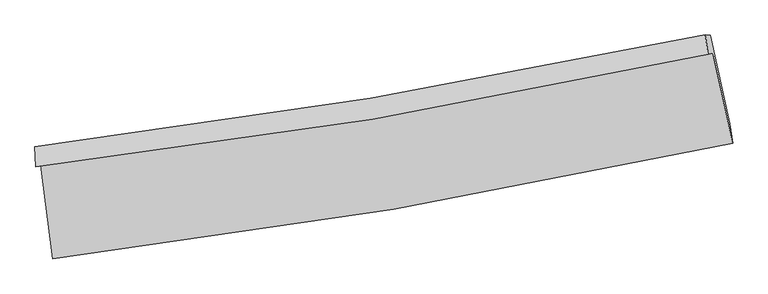
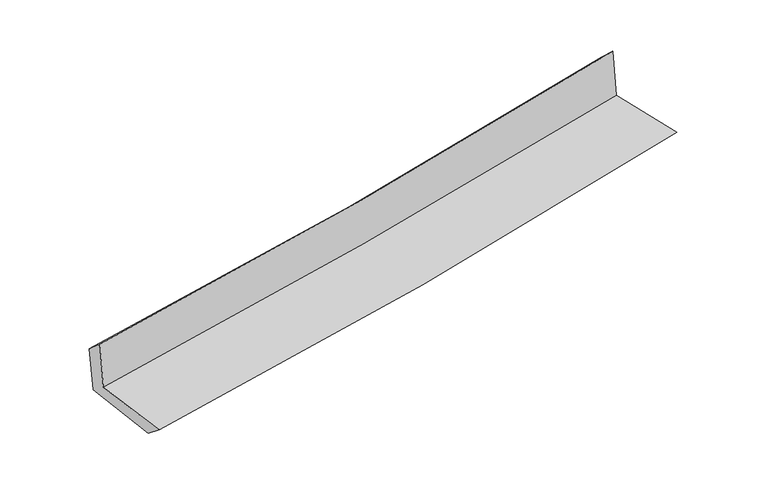
"""IFC4 building model written with IfcOpenShell, lengths in millimetres: proxy geometry."""

from ifc_helpers import new_model, si_unit, frame, origin, place, context, project, spatial, source, transform, mapped, element, save
from ifc_brep_helpers import plane_surface, spline_curve, spline_surface, advanced_brep


def generic_models_1c358d95(model_context):
    return source(origin(), model_context, "Body", "AdvancedBrep", [
        advanced_brep(
        [(-2438.1551822, -1880.7134898, 1663.239094), (-2350.6166176, -2549.9960008, 1654.7565563), (2523.0830101, -1722.2955168, 2117.1170235), (2381.9857717, -1077.4088302, 2108.4118372), (-2472.1922258, -1890.2835319, 2067.0696409), (2347.0467167, -1087.2324867, 2522.9442452), (-2479.6984989, -1748.9484276, 1943.1769825), (2328.2001839, -947.0577178, 2388.9519176), (-2446.4882029, -1750.3119253, 1565.0415014), (2362.5261246, -948.2736542, 2008.4069612), (-2359.3591342, -2404.6391331, 1539.0447703), (2503.9849779, -1582.8514708, 1987.7309964)],
        [
            (0, 1),
            (1, 2, spline_curve(3, [(-2350.6166176, -2549.9960008, 1654.7565563), (-1533.358044434, -2451.680222801, 1733.926831277), (-719.59165212, -2333.768387968, 1811.948752814), (905.009915131, -2058.064763057, 1966.080426054), (1715.810065237, -1900.076436815, 2042.178660044), (2523.0830101, -1722.2955168, 2117.1170235)], [4, 2, 4], [0.0, 8.079311401152422, 16.199037039575877])),
            (2, 3),
            (3, 0, spline_curve(3, [(2381.9857717, -1077.4088302, 2108.4118372), (1581.569811178, -1245.898924126, 2040.324307934), (778.675120219, -1397.210285183, 1969.082411018), (-828.063144145, -1664.807923298, 1820.660174238), (-1631.882104763, -1781.26478228, 1743.511156791), (-2438.1551822, -1880.7134898, 1663.239094)], [4, 2, 4], [0.0, 8.119725638423455, 16.199037039575877])),
            (4, 0),
            (3, 5),
            (5, 4, spline_curve(3, [(2347.0467167, -1087.2324867, 2522.9442452), (1547.786938024, -1263.167305705, 2456.578146588), (745.544438987, -1418.170502243, 2385.298540565), (-860.898159557, -1685.646336919, 2233.291548933), (-1665.068641442, -1798.32682217, 2152.612953545), (-2472.1922258, -1890.2835319, 2067.0696409)], [4, 2, 4], [0.0, 8.072160520310694, 16.104143548784233])),
            (6, 4),
            (5, 7),
            (7, 6, spline_curve(3, [(2328.2001839, -947.0577178, 2388.9519176), (1530.401085481, -1115.22330547, 2312.825832343), (729.836847272, -1266.254400068, 2237.524251796), (-872.823504396, -1533.381160983, 2088.940793883), (-1674.892160431, -1649.646969776, 2015.650729602), (-2479.6984989, -1748.9484276, 1943.1769825)], [4, 2, 4], [0.0, 8.062045926078078, 16.08396470359775])),
            (8, 6),
            (7, 9),
            (9, 8, spline_curve(3, [(2362.5261246, -948.2736542, 2008.4069612), (1564.475681844, -1116.466174024, 1933.51701719), (763.692649978, -1267.523059504, 1859.033757696), (-839.33925972, -1534.698996261, 1711.24930957), (-1641.561003912, -1650.988201106, 1637.944082105), (-2446.4882029, -1750.3119253, 1565.0415014)], [4, 2, 4], [0.0, 8.052167938466411, 16.06425789399317])),
            (10, 8),
            (9, 11),
            (11, 10, spline_curve(3, [(2503.9849779, -1582.8514708, 1987.7309964), (1698.234228996, -1757.935731241, 1911.892271502), (889.060548952, -1914.083894954, 1836.490192887), (-732.088144357, -2187.825084063, 1686.932453283), (-1544.029168089, -2305.606141129, 1612.772456503), (-2359.3591342, -2404.6391331, 1539.0447703)], [4, 2, 4], [0.0, 8.100073746480213, 16.15983106887412])),
            (1, 10),
            (11, 2),
        ],
        [
            spline_surface(3, 3, [[(-2438.1551822, -1880.7134898, 1663.239094), (-1631.882104733, -1781.264782389, 1743.511156712), (-828.063144265, -1664.807923413, 1820.66017431), (778.675120339, -1397.210285067, 1969.082410946), (1581.569811199, -1245.898924198, 2040.324307805), (2381.9857717, -1077.4088302, 2108.4118372)], [(-2408.975660661, -2103.807660142, 1660.411581422), (-1599.040751275, -2004.736595894, 1740.316381532), (-791.905980174, -1887.794744911, 1817.756367176), (820.786718573, -1617.495111127, 1968.08174927), (1626.316562556, -1463.958095113, 2040.942425198), (2429.018184511, -1292.371059091, 2111.313565967)], [(-2379.796139139, -2326.901830458, 1657.584068878), (-1566.199397835, -2228.208409372, 1737.121606387), (-755.748816101, -2110.781566346, 1814.852560063), (862.898316788, -1837.779937123, 1967.081087615), (1671.063313882, -1682.017265957, 2041.560542589), (2476.050597289, -1507.333287909, 2114.215294733)], [(-2350.6166176, -2549.9960008, 1654.7565563), (-1533.358044378, -2451.680222877, 1733.926831207), (-719.59165201, -2333.768387843, 1811.948752929), (905.009915021, -2058.064763182, 1966.080425939), (1715.810065239, -1900.076436873, 2042.178659982), (2523.0830101, -1722.2955168, 2117.1170235)]], [4, 4], [4, 2, 4], [0.0, 2.2152426351771473], [0.0, 8.079311401152422, 16.199037039575877]),
            spline_surface(3, 3, [[(-2472.1922258, -1890.2835319, 2067.0696409), (-1665.068641436, -1798.326822162, 2152.612953549), (-860.898159632, -1685.646336943, 2233.291548936), (745.544439063, -1418.17050222, 2385.298540561), (1547.786938054, -1263.167305693, 2456.5781466), (2347.0467167, -1087.2324867, 2522.9442452)], [(-2460.846544592, -1887.093517873, 1932.459458614), (-1654.006462527, -1792.639475578, 2016.245687951), (-849.953154517, -1678.700199101, 2095.747757385), (756.587999481, -1411.18376317, 2246.559830681), (1559.047895744, -1257.411178518, 2317.826866983), (2358.693068341, -1083.957934523, 2384.766775848)], [(-2449.500863408, -1883.903503827, 1797.849276286), (-1642.944283642, -1786.952128974, 1879.87842231), (-839.00814938, -1671.754061255, 1958.20396586), (767.631559921, -1404.197024117, 2107.821120826), (1570.308853509, -1251.655051373, 2179.075587422), (2370.339420059, -1080.683382377, 2246.589306552)], [(-2438.1551822, -1880.7134898, 1663.239094), (-1631.882104733, -1781.264782389, 1743.511156712), (-828.063144265, -1664.807923413, 1820.66017431), (778.675120339, -1397.210285067, 1969.082410946), (1581.569811199, -1245.898924198, 2040.324307805), (2381.9857717, -1077.4088302, 2108.4118372)]], [4, 4], [4, 2, 4], [0.0, 1.3657090278490038], [0.0, 8.031983028473539, 16.104143548784233]),
            spline_surface(3, 3, [[(-2479.6984989, -1748.9484276, 1943.1769825), (-1674.892160465, -1649.646969701, 2015.650729497), (-872.823504341, -1533.381161035, 2088.940793918), (729.836847217, -1266.254400015, 2237.524251761), (1530.401085392, -1115.22330539, 2312.825832408), (2328.2001839, -947.0577178, 2388.9519176)], [(-2477.196407884, -1796.06012903, 1984.474535298), (-1671.617654139, -1699.206920518, 2061.304804179), (-868.848389446, -1584.136219645, 2137.057712257), (735.072711158, -1316.893100724, 2286.782348027), (1536.196369631, -1164.537972149, 2360.743270493), (2334.482361518, -993.782640758, 2433.61602682)], [(-2474.694316816, -1843.17183047, 2025.772088102), (-1668.343147762, -1748.766871345, 2106.958878867), (-864.873274528, -1634.891278333, 2185.174630597), (740.308575122, -1367.531801511, 2336.040444295), (1541.991653815, -1213.852638935, 2408.660708516), (2340.764539082, -1040.507563742, 2478.28013598)], [(-2472.1922258, -1890.2835319, 2067.0696409), (-1665.068641436, -1798.326822162, 2152.612953549), (-860.898159632, -1685.646336943, 2233.291548936), (745.544439063, -1418.17050222, 2385.298540561), (1547.786938054, -1263.167305693, 2456.5781466), (2347.0467167, -1087.2324867, 2522.9442452)]], [4, 4], [4, 2, 4], [0.0, 0.6933304796272691], [0.0, 8.021918777519673, 16.08396470359775]),
            spline_surface(3, 3, [[(-2446.4882029, -1750.3119253, 1565.0415014), (-1641.561004044, -1650.988201228, 1637.944082169), (-839.339259824, -1534.698996285, 1711.249309482), (763.692650083, -1267.523059479, 1859.033757785), (1564.475681717, -1116.466174074, 1933.517017061), (2362.5261246, -948.2736542, 2008.4069612)], [(-2457.558301564, -1749.857426066, 1691.086661766), (-1652.671389515, -1650.541124051, 1763.846297944), (-850.500674645, -1534.259717895, 1837.146470972), (752.407382479, -1267.100173018, 1985.197255789), (1553.117482939, -1116.051884532, 2059.953288819), (2351.084144364, -947.868342087, 2135.255279976)], [(-2468.628400236, -1749.402926834, 1817.131822134), (-1663.781774994, -1650.094046877, 1889.748513721), (-861.66208952, -1533.820439425, 1963.043632428), (741.122114821, -1266.677286477, 2111.360753757), (1541.75928417, -1115.637594931, 2186.38956065), (2339.642164136, -947.463029913, 2262.103598824)], [(-2479.6984989, -1748.9484276, 1943.1769825), (-1674.892160465, -1649.646969701, 2015.650729497), (-872.823504341, -1533.381161035, 2088.940793918), (729.836847217, -1266.254400015, 2237.524251761), (1530.401085392, -1115.22330539, 2312.825832408), (2328.2001839, -947.0577178, 2388.9519176)]], [4, 4], [4, 2, 4], [0.0, 1.2453789700999929], [0.0, 8.012089955526758, 16.06425789399317]),
            spline_surface(3, 3, [[(-2359.3591342, -2404.6391331, 1539.0447703), (-1544.02916817, -2305.60614108, 1612.772456558), (-732.088144248, -2187.82508398, 1686.932453311), (889.060548842, -1914.083895036, 1836.490192859), (1698.234228944, -1757.935731359, 1911.89227148), (2503.9849779, -1582.8514708, 1987.7309964)], [(-2388.402157101, -2186.530063828, 1547.710347347), (-1576.539780129, -2087.400161124, 1621.162998442), (-767.838516107, -1970.116388081, 1695.038072018), (847.271249255, -1698.563616517, 1844.004714485), (1653.648046519, -1544.112545577, 1919.100520029), (2456.832026784, -1371.325531913, 1994.622984689)], [(-2417.445179999, -1968.420994572, 1556.375924353), (-1609.050392085, -1869.194181184, 1629.553540285), (-803.588887965, -1752.407692184, 1703.143690774), (805.481949669, -1483.043337999, 1851.51923616), (1609.061864142, -1330.289359855, 1926.308768511), (2409.679075716, -1159.799593087, 2001.514972911)], [(-2446.4882029, -1750.3119253, 1565.0415014), (-1641.561004044, -1650.988201228, 1637.944082169), (-839.339259824, -1534.698996285, 1711.249309482), (763.692650083, -1267.523059479, 1859.033757785), (1564.475681717, -1116.466174074, 1933.517017061), (2362.5261246, -948.2736542, 2008.4069612)]], [4, 4], [4, 2, 4], [0.0, 2.1672483748692257], [0.0, 8.059757322393907, 16.15983106887412]),
            spline_surface(3, 3, [[(-2350.6166176, -2549.9960008, 1654.7565563), (-1533.358044378, -2451.680222877, 1733.926831207), (-719.59165201, -2333.768387843, 1811.948752929), (905.009915021, -2058.064763182, 1966.080425939), (1715.810065239, -1900.076436873, 2042.178659982), (2523.0830101, -1722.2955168, 2117.1170235)], [(-2353.530789798, -2501.543711562, 1616.185960953), (-1536.91508564, -2402.988862273, 1693.542039643), (-723.757149432, -2285.120619867, 1770.276653078), (899.693459619, -2010.071140445, 1922.8836816), (1709.951453156, -1852.696201697, 1998.749863814), (2516.716999382, -1675.814168129, 2073.988347799)], [(-2356.444962002, -2453.091422338, 1577.615365647), (-1540.472126908, -2354.297501684, 1653.157248122), (-727.922646827, -2236.472851957, 1728.604553162), (894.377004244, -1962.077517774, 1879.686937198), (1704.092841027, -1805.315966534, 1955.321067648), (2510.350988618, -1629.332819471, 2030.859672101)], [(-2359.3591342, -2404.6391331, 1539.0447703), (-1544.02916817, -2305.60614108, 1612.772456558), (-732.088144248, -2187.82508398, 1686.932453311), (889.060548842, -1914.083895036, 1836.490192859), (1698.234228944, -1757.935731359, 1911.89227148), (2503.9849779, -1582.8514708, 1987.7309964)]], [4, 4], [4, 2, 4], [0.0, 0.6346889603191762], [0.0, 8.116998310012741, 16.27459937431252]),
            plane_surface(frame((2407.8044642, -1227.5199461, 2188.9271635), z_axis=(0.972934382480684, 0.21404748580691346, 0.08707675468613538), x_axis=(-0.0898368732648271, 0.0031823139194104505, 0.995951408995498))),
            plane_surface(frame((-2424.4183102, -2037.4820847, 1738.7214242), z_axis=(-0.9879945128061102, -0.1281304860119238, -0.08631002965684374), x_axis=(-0.12967978466424984, 0.9914762972087182, 0.012566046423726647))),
        ],
        [
            (0, [[1, 2, 3, 4]]),
            (1, [[5, -4, 6, 7]]),
            (2, [[8, -7, 9, 10]]),
            (3, [[11, -10, 12, 13]]),
            (4, [[14, -13, 15, 16]]),
            (5, [[17, -16, 18, -2]]),
            (6, [[-12, -9, -6, -3, -18, -15]]),
            (7, [[-1, -5, -8, -11, -14, -17]]),
        ],
    ),
    ])


if __name__ == "__main__":
    model = new_model("IFC4")
    model_context = context("Model", 3, world=origin())
    ifc_project = project(units=[si_unit("LENGTHUNIT", "METRE", prefix="MILLI")], contexts=[model_context])
    site = spatial("IfcSite", under=ifc_project)
    building = spatial("IfcBuilding", under=site)
    placement = place(None, origin())
    generic_models_shape = generic_models_1c358d95(model_context)
    element("IfcBuildingElementProxy", 1, Name="Generic Models", at=placement, inside=building, context=model_context, shape_type="MappedRepresentation", body=[
        mapped(generic_models_shape, transform((0.0, 0.0, 0.0), x_axis=(1.0, 0.0, 0.0), y_axis=(0.0, 1.0, 0.0), z_axis=(0.0, 0.0, 1.0))),
    ])
    save(model, "model.ifc")
